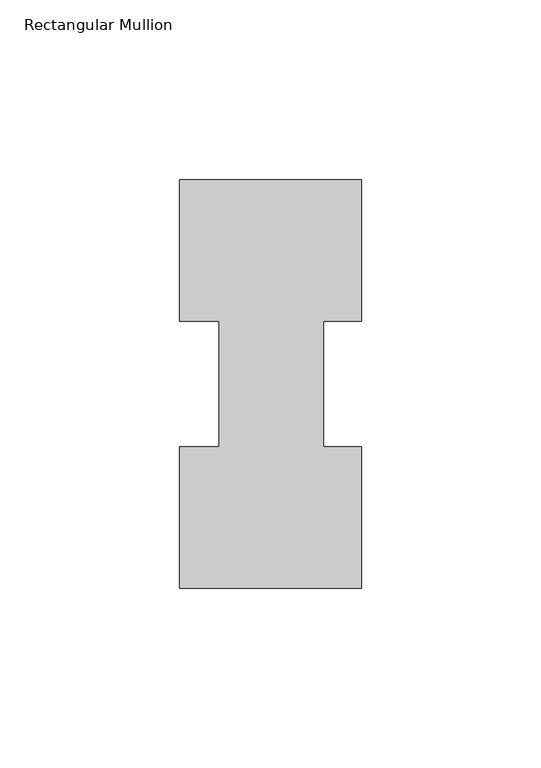
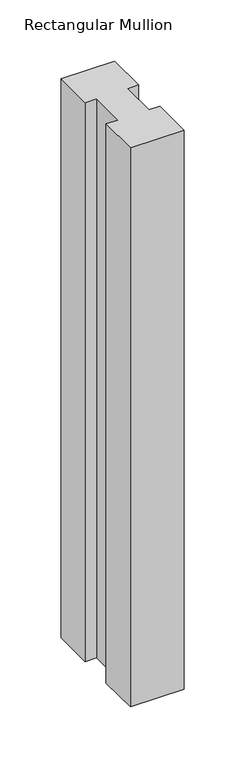
"""IFC4 building model written with IfcOpenShell, lengths in millimetres: member geometry, Rectangular Mullion."""

import ifcopenshell
import ifcopenshell.guid

model = None  # the IFC model being written
_history = None  # IfcOwnerHistory: only IFC2X3 demands one
_inside = {}  # id of a spatial element -> (the spatial element, [elements in it])
_under = {}  # id of a project, library or spatial element -> (it, [spatial elements below it])
_declared = {}  # id of a project -> (the project, [libraries it declares])
_typed = {}  # id of a type object -> (the type object, [elements of that type])
_made_of = {}  # id of a material, layer set ... -> (it, [elements and type objects made of it])


def new_model(schema):
    """Start an empty IFC model of exactly this schema.

    Asked for "IFC4X3", IfcOpenShell would pick the latest addendum, in which some entities
    have other attributes; the version numbers below select the first issue.
    IFC2X3 requires an IfcOwnerHistory on every rooted entity: one is made here for all.
    """
    global model, _history
    if schema == "IFC4X3":
        model = ifcopenshell.file(schema_version=(4, 3, 0, 0))
    else:
        model = ifcopenshell.file(schema=schema)
    _inside.clear()
    _under.clear()
    _declared.clear()
    _typed.clear()
    _made_of.clear()
    _history = None
    if model.schema == "IFC2X3":
        org = make("IfcOrganization", Name="unknown")
        user = make(
            "IfcPersonAndOrganization",
            ThePerson=make("IfcPerson", FamilyName="unknown"),
            TheOrganization=org,
        )
        app = make(
            "IfcApplication",
            ApplicationDeveloper=org,
            Version="unknown",
            ApplicationFullName="unknown",
            ApplicationIdentifier="unknown",
        )
        _history = make(
            "IfcOwnerHistory",
            OwningUser=user,
            OwningApplication=app,
            ChangeAction="ADDED",
            CreationDate=0,
        )
    return model


def make(cls, **values):
    """One entity of the class cls with the attributes given. An attribute that is None is left unset."""
    return model.create_entity(
        cls, **{name: value for name, value in values.items() if value is not None}
    )


def rooted(cls, **values):
    """An entity with a GlobalId (a new one), such as an element, a storey or a relation."""
    return make(cls, GlobalId=ifcopenshell.guid.new(), OwnerHistory=_history, **values)


def si_unit(unit_type, name, prefix=None):
    """IfcSIUnit, for example si_unit("LENGTHUNIT", "METRE", prefix="MILLI")."""
    return make("IfcSIUnit", UnitType=unit_type, Prefix=prefix, Name=name)


def assignment(units):
    """IfcUnitAssignment: the units of a project."""
    return None if units is None else make("IfcUnitAssignment", Units=units)


def point(xyz):
    """IfcCartesianPoint."""
    return None if xyz is None else make("IfcCartesianPoint", Coordinates=xyz)


def direction(xyz):
    """IfcDirection."""
    return None if xyz is None else make("IfcDirection", DirectionRatios=xyz)


def frame(location, z_axis=None, x_axis=None):
    """IfcAxis2Placement3D, a coordinate frame: its origin and axes. An axis left out is left unset."""
    return make(
        "IfcAxis2Placement3D",
        Location=point(location),
        Axis=direction(z_axis),
        RefDirection=direction(x_axis),
    )


def origin():
    """The frame at (0, 0, 0) with its axes left unset."""
    return frame((0.0, 0.0, 0.0))


def place(relative_to, where):
    """IfcLocalPlacement: puts the frame where relative to a parent placement (None: the world)."""
    return make(
        "IfcLocalPlacement", PlacementRelTo=relative_to, RelativePlacement=where
    )


def context(
    kind, dimensions, precision=None, world=None, true_north=None, identifier=None
):
    """IfcGeometricRepresentationContext, for example the 3D "Model" context."""
    return make(
        "IfcGeometricRepresentationContext",
        ContextIdentifier=identifier,
        ContextType=kind,
        CoordinateSpaceDimension=dimensions,
        Precision=precision,
        WorldCoordinateSystem=world,
        TrueNorth=true_north,
    )


def project(units=None, contexts=None):
    """IfcProject with its units and contexts."""
    return rooted(
        "IfcProject",
        Name="project",
        RepresentationContexts=contexts,
        UnitsInContext=assignment(units),
    )


def spatial(cls, under=None, at=None, **own):
    """A site, building, storey or space (cls), placed at a placement, below another one or the project."""
    s = rooted(cls, ObjectPlacement=at, **own)
    if under is not None:
        _under.setdefault(under.id(), (under, []))[1].append(s)
    return s


def polyline(points):
    """IfcPolyline through the points."""
    return make("IfcPolyline", Points=[point(p) for p in points])


def outline(outer, holes=None, kind="AREA"):
    """IfcArbitraryClosedProfileDef: a profile drawn as a closed curve; with holes, ...WithVoids."""
    if holes is None:
        return make("IfcArbitraryClosedProfileDef", ProfileType=kind, OuterCurve=outer)
    return make(
        "IfcArbitraryProfileDefWithVoids",
        ProfileType=kind,
        OuterCurve=outer,
        InnerCurves=holes,
    )


def extrude(swept, where, along, depth):
    """IfcExtrudedAreaSolid: the profile swept, set in the frame where, extruded along a direction by depth."""
    return make(
        "IfcExtrudedAreaSolid",
        SweptArea=swept,
        Position=where,
        ExtrudedDirection=direction(along),
        Depth=depth,
    )


def shape(context_of_items, identifier, shape_type, items):
    """IfcShapeRepresentation: the items that make up one representation, for example the "Body"."""
    return make(
        "IfcShapeRepresentation",
        ContextOfItems=context_of_items,
        RepresentationIdentifier=identifier,
        RepresentationType=shape_type,
        Items=items,
    )


def source(mapping_origin, context_of_items, identifier, shape_type, items):
    """IfcRepresentationMap: a shape defined once, which mapped items show again and again."""
    return make(
        "IfcRepresentationMap",
        MappingOrigin=mapping_origin,
        MappedRepresentation=shape(context_of_items, identifier, shape_type, items),
    )


def transform(
    local_origin,
    x_axis=None,
    y_axis=None,
    z_axis=None,
    scale=None,
    scale2=None,
    scale3=None,
    uniform=True,
):
    """IfcCartesianTransformationOperator3D, or its non-uniform kind. x_axis, y_axis, z_axis: its Axis1, 2, 3."""
    if uniform:
        return make(
            "IfcCartesianTransformationOperator3D",
            Axis1=direction(x_axis),
            Axis2=direction(y_axis),
            LocalOrigin=point(local_origin),
            Scale=scale,
            Axis3=direction(z_axis),
        )
    return make(
        "IfcCartesianTransformationOperator3DnonUniform",
        Axis1=direction(x_axis),
        Axis2=direction(y_axis),
        LocalOrigin=point(local_origin),
        Scale=scale,
        Axis3=direction(z_axis),
        Scale2=scale2,
        Scale3=scale3,
    )


def mapped(mapping_source, mapping_target):
    """IfcMappedItem: shows the shape of a source again, moved by a transform."""
    return make(
        "IfcMappedItem", MappingSource=mapping_source, MappingTarget=mapping_target
    )


def made_of(thing, what):
    """Note that an element or type object is made of a material, layer set ...; save() writes the relation."""
    if what is not None:
        _made_of.setdefault(what.id(), (what, []))[1].append(thing)
    return thing


def element(
    cls,
    number,
    at=None,
    inside=None,
    cuts=None,
    type_object=None,
    material=None,
    context=None,
    identifier="Body",
    shape_type=None,
    held_by="IfcProductDefinitionShape",
    body=None,
    shapes=None,
    **own,
):
    """One element of the class cls, such as IfcWall. Its Tag is "e" and its number.

    at: its placement. inside: the storey or other place that contains it. cuts: it is an
    opening in that element (IfcRelVoidsElement). A single representation is given by context,
    identifier, shape_type and body (its items); several are given by shapes. held_by: the class
    of the entity that holds the representations. save() writes the other relations.
    """
    e = rooted(cls, Tag="e%d" % number, ObjectPlacement=at, **own)
    if body is not None:
        shapes = [shape(context, identifier, shape_type, body)]
    if shapes is not None:
        e.Representation = make(held_by, Representations=shapes)
    if inside is not None:
        _inside.setdefault(inside.id(), (inside, []))[1].append(e)
    if cuts is not None:
        rooted(
            "IfcRelVoidsElement", RelatingBuildingElement=cuts, RelatedOpeningElement=e
        )
    if type_object is not None:
        _typed.setdefault(type_object.id(), (type_object, []))[1].append(e)
    return made_of(e, material)


def aggregate(whole, parts):
    """IfcRelAggregates: a whole, such as a stair, and the parts it consists of."""
    return rooted("IfcRelAggregates", RelatingObject=whole, RelatedObjects=parts)


def save(model, path):
    """Write the relations noted so far, then the file.

    IfcRelAggregates (storeys below a building ...), IfcRelContainedInSpatialStructure (elements
    in a storey), IfcRelDefinesByType, IfcRelAssociatesMaterial and IfcRelDeclares: one each for
    every whole, place, type object, material and project.
    """
    for whole, parts in _under.values():
        aggregate(whole, parts)
    for where, things in _inside.values():
        rooted(
            "IfcRelContainedInSpatialStructure",
            RelatedElements=things,
            RelatingStructure=where,
        )
    for kind, things in _typed.values():
        rooted("IfcRelDefinesByType", RelatedObjects=things, RelatingType=kind)
    for what, things in _made_of.values():
        rooted("IfcRelAssociatesMaterial", RelatedObjects=things, RelatingMaterial=what)
    for by, libraries in _declared.values():
        rooted("IfcRelDeclares", RelatingContext=by, RelatedDefinitions=libraries)
    model.write(path)


def rectangular_mullion_2f38081c(model_context):
    return source(origin(), model_context, "Body", "SweptSolid", [
        extrude(outline(polyline([(-50.8, 114.017425), (0.0, 114.017425), (0.0, 74.596625), (-10.5663987, 74.596625), (-10.5663987, 39.620825), (0.0, 39.620825), (0.0, 0.225425), (-50.8, 0.225425), (-50.8, 39.620825), (-39.6875, 39.620825), (-39.6875, 74.596625), (-50.8, 74.596625), (-50.8, 114.017425)])), frame((0.0, 0.0, -558.8), z_axis=(0.0, 0.0, 1.0), x_axis=(1.0, 0.0, 0.0)), (0.0, 0.0, 1.0), 558.8),
    ])


if __name__ == "__main__":
    model = new_model("IFC4")
    model_context = context("Model", 3, world=origin())
    ifc_project = project(units=[si_unit("LENGTHUNIT", "METRE", prefix="MILLI")], contexts=[model_context])
    site = spatial("IfcSite", under=ifc_project)
    building = spatial("IfcBuilding", under=site)
    placement = place(None, origin())
    rectangular_mullion_shape = rectangular_mullion_2f38081c(model_context)
    element("IfcMember", 1, ObjectType="Rectangular Mullion", at=placement, inside=building, context=model_context, shape_type="MappedRepresentation", body=[
        mapped(rectangular_mullion_shape, transform((0.0, 0.0, 0.0), x_axis=(1.0, 0.0, 0.0), y_axis=(0.0, 1.0, 0.0), z_axis=(0.0, 0.0, 1.0))),
    ])
    save(model, "model.ifc")
